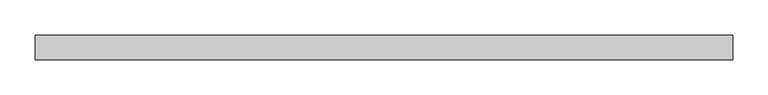
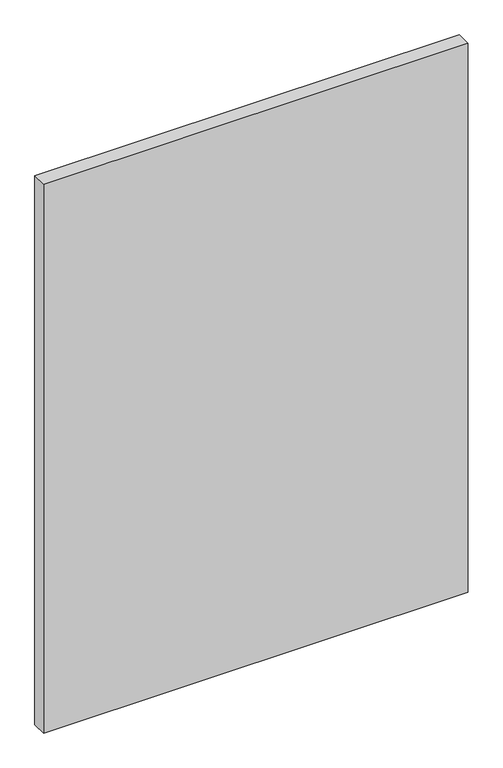
"""IFC4 building model written with IfcOpenShell, lengths in millimetres: plate geometry."""

from ifc_helpers import new_model, si_unit, origin, origin_with_axes, place, context, project, spatial, polyline, outline, extrude, source, transform, mapped, element, save


def plate_d4967e63(model_context):
    return source(origin(), model_context, "Body", "SweptSolid", [
        extrude(outline(polyline([(498.3958333, -17.5), (-498.3958333, -17.5), (-498.3958333, 17.5), (498.3958333, 17.5), (498.3958333, -17.5)])), origin_with_axes(), (0.0, 0.0, 1.0), 1362.5560565),
    ])


if __name__ == "__main__":
    model = new_model("IFC4")
    model_context = context("Model", 3, world=origin())
    ifc_project = project(units=[si_unit("LENGTHUNIT", "METRE", prefix="MILLI")], contexts=[model_context])
    site = spatial("IfcSite", under=ifc_project)
    building = spatial("IfcBuilding", under=site)
    placement = place(None, origin())
    plate_shape = plate_d4967e63(model_context)
    element("IfcPlate", 1, at=placement, inside=building, context=model_context, shape_type="MappedRepresentation", body=[
        mapped(plate_shape, transform((0.0, 0.0, 0.0), x_axis=(1.0, 0.0, 0.0), y_axis=(0.0, 1.0, 0.0), z_axis=(0.0, 0.0, 1.0))),
    ])
    save(model, "model.ifc")
